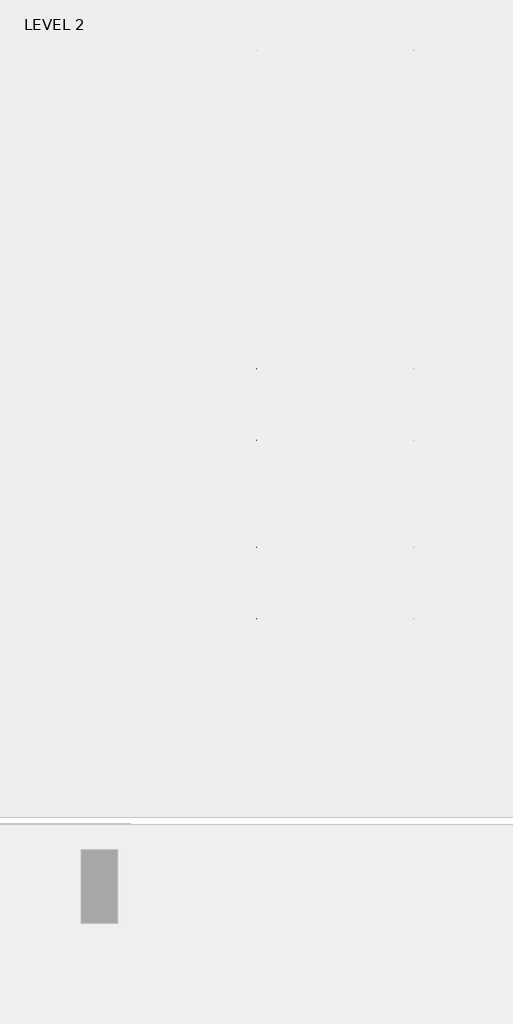
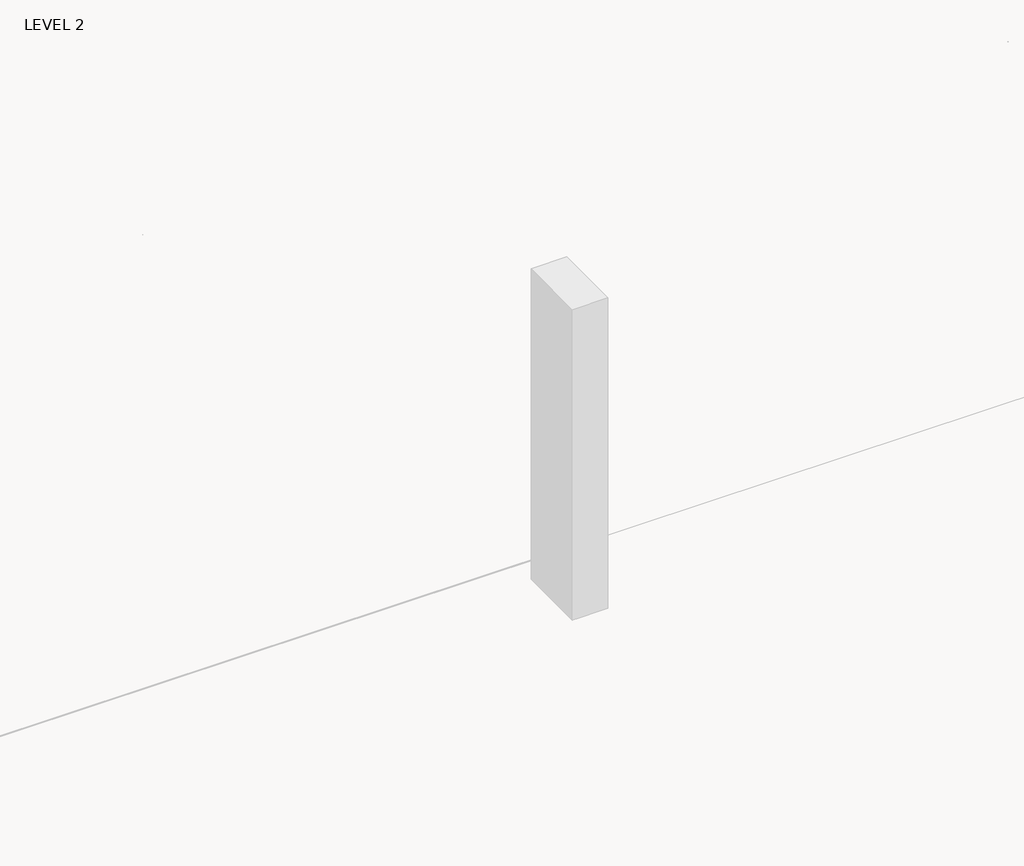
# One storey, part 23 of 67: 1 beam.
"""IFC4 building model written with IfcOpenShell, lengths in millimetres."""

from ifc_helpers import new_model, si_unit, frame, origin, place, context, project, spatial, polyline, outline, extrude, faceted_brep, element, save

model = new_model("IFC4")

# Units and contexts
model_context = context("Model", 3, world=origin())
ifc_project = project(units=[si_unit("LENGTHUNIT", "METRE", prefix="MILLI")], contexts=[model_context])

# Site, building, storey
site = spatial("IfcSite", under=ifc_project)
building = spatial("IfcBuilding", under=site)
storey = spatial("IfcBuildingStorey", under=building, Name="LEVEL 2", Elevation=6908.8)

# Beam
placement = place(None, origin())
element("IfcBeam", 1, ObjectType="K-Series Bar Joist-Angle Web : 12K3", at=placement, inside=storey, context=model_context, shape_type="SolidModel", body=[
    extrude(outline(polyline([(0.0, -9.525), (0.0, 0.0), (573.7533355, 0.0), (573.7533355, -9.525), (0.0, -9.525)])), frame((26253.0014942, -9604.1227945, 6274.1671734), z_axis=(0.0, -0.48308851527800273, 0.8755715198694479), x_axis=(0.0, -0.8755715198694479, -0.48308851527800273)), (0.0, 0.0, 1.0), 9.525),
    extrude(outline(polyline([(0.0, -9.525), (0.0, 0.0), (573.7533355, 0.0), (573.7533355, -9.525), (0.0, -9.525)])), frame((26243.4764942, -14433.5123055, 6174.0312759), z_axis=(0.0, 0.44637950228858414, 0.894843751688861), x_axis=(0.0, 0.894843751688861, -0.44637950228858414)), (0.0, 0.0, 1.0), 9.525),
    extrude(outline(polyline([(4.7625, 4.7625), (4.7625, -4.7625), (-4.7625, -4.7625), (-4.7625, 4.7625), (4.7625, 4.7625)])), frame((26248.2389942, -10108.7855836, 6001.1634358), z_axis=(0.0, 0.5271021201119526, 0.8498019504410923), x_axis=(-1.0, 0.0, 0.0)), (0.0, 0.0, 1.0), 317.9950191),
    extrude(outline(polyline([(4.7625, 4.7625), (4.7625, -4.7625001), (-4.7625, -4.7625001), (-4.7625, 4.7625), (4.7625, 4.7625)])), frame((26248.2389942, -13917.9668359, 5922.1812409), z_axis=(0.0, -0.5618747002661082, 0.8272223529383567), x_axis=(-1.0, 0.0, 0.0)), (0.0, 0.0, 1.0), 317.9950191),
    extrude(outline(polyline([(0.0, 0.0), (31.75, 0.0), (31.75, -6.35), (6.35, -6.35), (6.35, -31.75), (0.0, -31.75), (0.0, 0.0)])), frame((26253.0014942, -14019.4133656, 5913.7264136), z_axis=(0.0, 0.9997851055909517, 0.020730234887470715), x_axis=(1.0, 0.0, 0.0)), (0.0, 0.0, 1.0), 4013.2),
    extrude(outline(polyline([(-9.525, 0.0), (-9.525, -31.75), (-15.875, -31.75), (-15.875, -6.35), (-41.275, -6.35), (-41.275, 0.0), (-9.525, 0.0)])), frame((26253.0014942, -14019.4133656, 5913.7264136), z_axis=(0.0, 0.9997851055909517, 0.020730234887470715), x_axis=(1.0, 0.0, 0.0)), (0.0, 0.0, 1.0), 4013.2),
    extrude(outline(polyline([(-31.75, 0.0), (0.0, 0.0), (0.0, -6.35), (-25.4, -6.35), (-25.4, -31.75), (-31.75, -31.75), (-31.75, 0.0)])), frame((26284.7514942, -14532.3064049, 6144.4436003), z_axis=(0.0, 0.9997851055909517, 0.020730234887470715), x_axis=(1.0, 0.0, 0.0)), (0.0, 0.0, 1.0), 101.6),
    extrude(outline(polyline([(-41.275, 0.0), (-41.275, -31.75), (-47.625, -31.75), (-47.625, -6.35), (-73.025, -6.35), (-73.025, 0.0), (-41.275, 0.0)])), frame((26284.7514942, -14532.3064049, 6144.4436003), z_axis=(0.0, 0.9997851055909517, 0.020730234887470715), x_axis=(1.0, 0.0, 0.0)), (0.0, 0.0, 1.0), 101.6),
    extrude(outline(polyline([(0.0, 0.0), (31.75, 0.0), (31.75, -6.35), (6.35, -6.35), (6.35, -31.75), (0.0, -31.75), (0.0, 0.0)])), frame((26243.4764942, -9605.7653186, 6246.5939057), z_axis=(0.0, 0.9997851055909517, 0.020730234887470715), x_axis=(0.0, -0.020730234887470715, 0.9997851055909517)), (0.0, 0.0, 1.0), 101.6),
    extrude(outline(polyline([(0.0, 41.275), (6.35, 41.275), (6.35, 15.875), (31.75, 15.875), (31.75, 9.525), (0.0, 9.525), (0.0, 41.275)])), frame((26243.4764942, -9605.7653186, 6246.5939057), z_axis=(0.0, 0.9997851055909517, 0.020730234887470715), x_axis=(0.0, -0.020730234887470715, 0.9997851055909517)), (0.0, 0.0, 1.0), 101.6),
    extrude(outline(polyline([(0.0, 0.0), (31.75, 0.0), (31.75, -6.35), (6.35, -6.35), (6.35, -31.75), (0.0, -31.75), (0.0, 0.0)])), frame((26253.0014942, -14533.6227748, 6207.9299545), z_axis=(0.0, 0.9997851055909517, 0.020730234887470715), x_axis=(0.0, 0.020730234887470715, -0.9997851055909517)), (0.0, 0.0, 1.0), 5029.2),
    extrude(outline(polyline([(0.0, 9.525), (0.0, 41.275), (6.35, 41.275), (6.35, 15.875), (31.75, 15.875), (31.75, 9.525), (0.0, 9.525)])), frame((26253.0014942, -14533.6227748, 6207.9299545), z_axis=(0.0, 0.9997851055909517, 0.020730234887470715), x_axis=(0.0, 0.020730234887470715, -0.9997851055909517)), (0.0, 0.0, 1.0), 5029.2),
    faceted_brep([(26248.2389942, -10109.114676, 6017.0350244), (26248.2389942, -10108.7197651, 5997.9891181), (26243.4764942, -10108.7197651, 5997.9891181), (26243.4764942, -10109.114676, 6017.0350244), (26248.2389942, -10109.9510625, 6017.0176822), (26248.2389942, -10276.1904217, 6293.0308149), (26248.2389942, -10294.3999415, 6292.6532461), (26248.2389942, -10294.0050305, 6273.6073399), (26248.2389942, -10286.8200086, 6273.7563191), (26248.2389942, -10120.5806494, 5997.7431863), (26243.4764942, -10120.5806494, 5997.7431863), (26243.4764942, -10141.3605693, 6032.2448279), (26243.4764942, -10137.2808829, 6034.7019736), (26243.4764942, -10273.294904, 6260.5309003), (26243.4764942, -10277.3745905, 6258.0737547), (26243.4764942, -10286.8200086, 6273.7563191), (26243.4764942, -10294.0050305, 6273.6073399), (26243.4764942, -10294.3999415, 6292.6532461), (26243.4764942, -10276.1904217, 6293.0308149), (26243.4764942, -10109.9510625, 6017.0176822), (26230.7764942, -10277.3745905, 6258.0737547), (26230.7764942, -10141.3605693, 6032.2448279), (26230.7764942, -10137.2808829, 6034.7019736), (26230.7764942, -10273.294904, 6260.5309003)], [[[0, 1, 2, 3]], [[1, 0, 4, 5, 6, 7, 8, 9]], [[2, 1, 9, 10]], [[3, 2, 10, 11, 12, 13, 14, 15, 16, 17, 18, 19]], [[0, 3, 19, 4]], [[9, 8, 15, 14, 20, 21, 11, 10]], [[5, 4, 19, 18]], [[7, 6, 17, 16]], [[8, 7, 16, 15]], [[6, 5, 18, 17]], [[21, 22, 12, 11]], [[20, 14, 13, 23]], [[22, 21, 20, 23]], [[12, 22, 23, 13]]]),
    extrude(outline(polyline([(-10455.0089698, 5990.8089186), (-10455.4038808, 6009.8548248), (-10454.5674943, 6009.872167), (-10299.9121904, 6292.5389513), (-10281.7026706, 6292.9165201), (-10281.3077596, 6273.8706138), (-10288.4927815, 6273.7216346), (-10443.1480854, 5991.0548503), (-10455.0089698, 5990.8089186)])), frame((26248.2389942, 0.0, 0.0), z_axis=(1.0, 0.0, 0.0), x_axis=(0.0, 1.0, 0.0)), (0.0, 0.0, 1.0), 4.7625),
    extrude(outline(polyline([(-4.7625, 4.7625), (-4.7625, 0.0), (-17.4625, 0.0), (-17.4625, 4.7625), (-4.7625, 4.7625)])), frame((26248.2389942, -10423.8161725, 6026.3881984), z_axis=(0.0, 0.4799841217599757, 0.8772771756168657), x_axis=(-1.0, 0.0, 0.0)), (0.0, 0.0, 1.0), 263.6257159),
    faceted_brep([(26248.2389942, -13572.0067236, 5945.233029), (26248.2389942, -13571.6118126, 5926.1871227), (26243.4764942, -13571.6118126, 5926.1871227), (26243.4764942, -13572.0067236, 5945.233029), (26248.2389942, -13572.8431101, 5945.2156868), (26248.2389942, -13739.0824692, 6221.2288195), (26248.2389942, -13757.291989, 6220.8512507), (26248.2389942, -13756.897078, 6201.8053445), (26248.2389942, -13749.7120561, 6201.9543237), (26248.2389942, -13583.472697, 5925.941191), (26243.4764942, -13583.472697, 5925.941191), (26243.4764942, -13604.2526169, 5960.4428325), (26243.4764942, -13600.1729304, 5962.8999782), (26243.4764942, -13736.1869515, 6188.7289049), (26243.4764942, -13740.266638, 6186.2717593), (26243.4764942, -13749.7120561, 6201.9543237), (26243.4764942, -13756.897078, 6201.8053445), (26243.4764942, -13757.291989, 6220.8512507), (26243.4764942, -13739.0824692, 6221.2288195), (26243.4764942, -13572.8431101, 5945.2156868), (26230.7764942, -13740.266638, 6186.2717593), (26230.7764942, -13604.2526169, 5960.4428325), (26230.7764942, -13600.1729304, 5962.8999782), (26230.7764942, -13736.1869515, 6188.7289049)], [[[0, 1, 2, 3]], [[1, 0, 4, 5, 6, 7, 8, 9]], [[2, 1, 9, 10]], [[3, 2, 10, 11, 12, 13, 14, 15, 16, 17, 18, 19]], [[0, 3, 19, 4]], [[9, 8, 15, 14, 20, 21, 11, 10]], [[5, 4, 19, 18]], [[7, 6, 17, 16]], [[8, 7, 16, 15]], [[6, 5, 18, 17]], [[21, 22, 12, 11]], [[20, 14, 13, 23]], [[22, 21, 20, 23]], [[12, 22, 23, 13]]]),
    extrude(outline(polyline([(-13917.9010174, 5919.0069232), (-13918.2959283, 5938.0528295), (-13917.4595419, 5938.0701717), (-13762.804238, 6220.736956), (-13744.5947182, 6221.1145247), (-13744.1998072, 6202.0686185), (-13751.3848291, 6201.9196392), (-13906.040133, 5919.252855), (-13917.9010174, 5919.0069232)])), frame((26248.2389942, 0.0, 0.0), z_axis=(1.0, 0.0, 0.0), x_axis=(0.0, 1.0, 0.0)), (0.0, 0.0, 1.0), 4.7625),
    extrude(outline(polyline([(-4.7625, 4.7625001), (-4.7625, 0.0), (-17.4625, 0.0), (-17.4625, 4.7625001), (-4.7625, 4.7625001)])), frame((26248.2389942, -13886.70822, 5954.586203), z_axis=(0.0, 0.4799841217599757, 0.8772771756168657), x_axis=(-1.0, 0.0, 0.0)), (0.0, 0.0, 1.0), 263.6257159),
    faceted_brep([(26248.2389942, -10455.4038808, 6009.8548248), (26248.2389942, -10455.0089698, 5990.8089186), (26243.4764942, -10455.0089698, 5990.8089186), (26243.4764942, -10455.4038808, 6009.8548248), (26248.2389942, -10456.2402673, 6009.8374826), (26248.2389942, -10622.4796264, 6285.8506153), (26248.2389942, -10640.6891462, 6285.4730466), (26248.2389942, -10640.2942352, 6266.4271403), (26248.2389942, -10633.1092134, 6266.5761195), (26248.2389942, -10466.8698542, 5990.5629868), (26243.4764942, -10466.8698542, 5990.5629868), (26243.4764942, -10487.6497741, 6025.0646284), (26243.4764942, -10483.5700876, 6027.521774), (26243.4764942, -10619.5841088, 6253.3507008), (26243.4764942, -10623.6637952, 6250.8935552), (26243.4764942, -10633.1092134, 6266.5761195), (26243.4764942, -10640.2942352, 6266.4271403), (26243.4764942, -10640.6891462, 6285.4730466), (26243.4764942, -10622.4796264, 6285.8506153), (26243.4764942, -10456.2402673, 6009.8374826), (26230.7764942, -10623.6637952, 6250.8935552), (26230.7764942, -10487.6497741, 6025.0646284), (26230.7764942, -10483.5700876, 6027.521774), (26230.7764942, -10619.5841088, 6253.3507008)], [[[0, 1, 2, 3]], [[1, 0, 4, 5, 6, 7, 8, 9]], [[2, 1, 9, 10]], [[3, 2, 10, 11, 12, 13, 14, 15, 16, 17, 18, 19]], [[0, 3, 19, 4]], [[9, 8, 15, 14, 20, 21, 11, 10]], [[5, 4, 19, 18]], [[7, 6, 17, 16]], [[8, 7, 16, 15]], [[6, 5, 18, 17]], [[21, 22, 12, 11]], [[20, 14, 13, 23]], [[22, 21, 20, 23]], [[12, 22, 23, 13]]]),
    extrude(outline(polyline([(-10801.2981746, 5983.628719), (-10801.6930855, 6002.6746253), (-10800.8566991, 6002.6919675), (-10646.2013952, 6285.3587518), (-10627.9918754, 6285.7363206), (-10627.5969644, 6266.6904143), (-10634.7819863, 6266.5414351), (-10789.4372902, 5983.8746508), (-10801.2981746, 5983.628719)])), frame((26248.2389942, 0.0, 0.0), z_axis=(1.0, 0.0, 0.0), x_axis=(0.0, 1.0, 0.0)), (0.0, 0.0, 1.0), 4.7625),
    extrude(outline(polyline([(-4.7625, 4.7625001), (-4.7625, 0.0), (-17.4625, 0.0), (-17.4625, 4.7625001), (-4.7625, 4.7625001)])), frame((26248.2389942, -10770.1053772, 6019.2079988), z_axis=(0.0, 0.4799841217599757, 0.8772771756168657), x_axis=(-1.0, 0.0, 0.0)), (0.0, 0.0, 1.0), 263.6257159),
    faceted_brep([(26248.2389942, -10801.6930855, 6002.6746253), (26248.2389942, -10801.2981746, 5983.628719), (26243.4764942, -10801.2981746, 5983.628719), (26243.4764942, -10801.6930855, 6002.6746253), (26248.2389942, -10802.529472, 6002.6572831), (26248.2389942, -10968.7688312, 6278.6704158), (26248.2389942, -10986.978351, 6278.292847), (26248.2389942, -10986.58344, 6259.2469408), (26248.2389942, -10979.3984181, 6259.39592), (26248.2389942, -10813.1590589, 5983.3827873), (26243.4764942, -10813.1590589, 5983.3827873), (26243.4764942, -10833.9389788, 6017.8844289), (26243.4764942, -10829.8592924, 6020.3415745), (26243.4764942, -10965.8733135, 6246.1705013), (26243.4764942, -10969.953, 6243.7133556), (26243.4764942, -10979.3984181, 6259.39592), (26243.4764942, -10986.58344, 6259.2469408), (26243.4764942, -10986.978351, 6278.292847), (26243.4764942, -10968.7688312, 6278.6704158), (26243.4764942, -10802.529472, 6002.6572831), (26230.7764942, -10969.953, 6243.7133556), (26230.7764942, -10833.9389788, 6017.8844289), (26230.7764942, -10829.8592924, 6020.3415745), (26230.7764942, -10965.8733135, 6246.1705013)], [[[0, 1, 2, 3]], [[1, 0, 4, 5, 6, 7, 8, 9]], [[2, 1, 9, 10]], [[3, 2, 10, 11, 12, 13, 14, 15, 16, 17, 18, 19]], [[0, 3, 19, 4]], [[9, 8, 15, 14, 20, 21, 11, 10]], [[5, 4, 19, 18]], [[7, 6, 17, 16]], [[8, 7, 16, 15]], [[6, 5, 18, 17]], [[21, 22, 12, 11]], [[20, 14, 13, 23]], [[22, 21, 20, 23]], [[12, 22, 23, 13]]]),
    extrude(outline(polyline([(-11147.5873793, 5976.4485195), (-11147.9822903, 5995.4944258), (-11147.1459038, 5995.511768), (-10992.4905999, 6278.1785523), (-10974.2810801, 6278.556121), (-10973.8861692, 6259.5102148), (-10981.071191, 6259.3612356), (-11135.726495, 5976.6944513), (-11147.5873793, 5976.4485195)])), frame((26248.2389942, 0.0, 0.0), z_axis=(1.0, 0.0, 0.0), x_axis=(0.0, 1.0, 0.0)), (0.0, 0.0, 1.0), 4.7625),
    extrude(outline(polyline([(-4.7625, 4.7625), (-4.7625, 0.0), (-17.4625, 0.0), (-17.4625, 4.7625), (-4.7625, 4.7625)])), frame((26248.2389942, -11116.394582, 6012.0277993), z_axis=(0.0, 0.4799841217599757, 0.8772771756168657), x_axis=(-1.0, 0.0, 0.0)), (0.0, 0.0, 1.0), 263.6257159),
    faceted_brep([(26248.2389942, -11147.9822903, 5995.4944258), (26248.2389942, -11147.5873793, 5976.4485195), (26243.4764942, -11147.5873793, 5976.4485195), (26243.4764942, -11147.9822903, 5995.4944258), (26248.2389942, -11148.8186768, 5995.4770835), (26248.2389942, -11315.0580359, 6271.4902163), (26248.2389942, -11333.2675557, 6271.1126475), (26248.2389942, -11332.8726447, 6252.0667412), (26248.2389942, -11325.6876229, 6252.2157204), (26248.2389942, -11159.4482637, 5976.2025877), (26243.4764942, -11159.4482637, 5976.2025877), (26243.4764942, -11180.2281836, 6010.7042293), (26243.4764942, -11176.1484971, 6013.1613749), (26243.4764942, -11312.1625183, 6238.9903017), (26243.4764942, -11316.2422047, 6236.5331561), (26243.4764942, -11325.6876229, 6252.2157204), (26243.4764942, -11332.8726447, 6252.0667412), (26243.4764942, -11333.2675557, 6271.1126475), (26243.4764942, -11315.0580359, 6271.4902163), (26243.4764942, -11148.8186768, 5995.4770835), (26230.7764942, -11316.2422047, 6236.5331561), (26230.7764942, -11180.2281836, 6010.7042293), (26230.7764942, -11176.1484971, 6013.1613749), (26230.7764942, -11312.1625183, 6238.9903017)], [[[0, 1, 2, 3]], [[1, 0, 4, 5, 6, 7, 8, 9]], [[2, 1, 9, 10]], [[3, 2, 10, 11, 12, 13, 14, 15, 16, 17, 18, 19]], [[0, 3, 19, 4]], [[9, 8, 15, 14, 20, 21, 11, 10]], [[5, 4, 19, 18]], [[7, 6, 17, 16]], [[8, 7, 16, 15]], [[6, 5, 18, 17]], [[21, 22, 12, 11]], [[20, 14, 13, 23]], [[22, 21, 20, 23]], [[12, 22, 23, 13]]]),
    extrude(outline(polyline([(-11493.8765841, 5969.26832), (-11494.2714951, 5988.3142262), (-11493.4351086, 5988.3315684), (-11338.7798047, 6270.9983527), (-11320.5702849, 6271.3759215), (-11320.1753739, 6252.3300152), (-11327.3603958, 6252.181036), (-11482.0156997, 5969.5142517), (-11493.8765841, 5969.26832)])), frame((26248.2389942, 0.0, 0.0), z_axis=(1.0, 0.0, 0.0), x_axis=(0.0, 1.0, 0.0)), (0.0, 0.0, 1.0), 4.7625),
    extrude(outline(polyline([(-4.7625, 4.7625), (-4.7625, 0.0), (-17.4625, 0.0), (-17.4625, 4.7625), (-4.7625, 4.7625)])), frame((26248.2389942, -11462.6837867, 6004.8475998), z_axis=(0.0, 0.4799841217599757, 0.8772771756168657), x_axis=(-1.0, 0.0, 0.0)), (0.0, 0.0, 1.0), 263.6257159),
    faceted_brep([(26248.2389942, -11494.2714951, 5988.3142262), (26248.2389942, -11493.8765841, 5969.26832), (26243.4764942, -11493.8765841, 5969.26832), (26243.4764942, -11494.2714951, 5988.3142262), (26248.2389942, -11495.1078815, 5988.296884), (26248.2389942, -11661.3472407, 6264.3100167), (26248.2389942, -11679.5567605, 6263.932448), (26248.2389942, -11679.1618495, 6244.8865417), (26248.2389942, -11671.9768276, 6245.0355209), (26248.2389942, -11505.7374685, 5969.0223882), (26243.4764942, -11505.7374685, 5969.0223882), (26243.4764942, -11526.5173883, 6003.5240298), (26243.4764942, -11522.4377019, 6005.9811754), (26243.4764942, -11658.451723, 6231.8101022), (26243.4764942, -11662.5314095, 6229.3529565), (26243.4764942, -11671.9768276, 6245.0355209), (26243.4764942, -11679.1618495, 6244.8865417), (26243.4764942, -11679.5567605, 6263.932448), (26243.4764942, -11661.3472407, 6264.3100167), (26243.4764942, -11495.1078815, 5988.296884), (26230.7764942, -11662.5314095, 6229.3529565), (26230.7764942, -11526.5173883, 6003.5240298), (26230.7764942, -11522.4377019, 6005.9811754), (26230.7764942, -11658.451723, 6231.8101022)], [[[0, 1, 2, 3]], [[1, 0, 4, 5, 6, 7, 8, 9]], [[2, 1, 9, 10]], [[3, 2, 10, 11, 12, 13, 14, 15, 16, 17, 18, 19]], [[0, 3, 19, 4]], [[9, 8, 15, 14, 20, 21, 11, 10]], [[5, 4, 19, 18]], [[7, 6, 17, 16]], [[8, 7, 16, 15]], [[6, 5, 18, 17]], [[21, 22, 12, 11]], [[20, 14, 13, 23]], [[22, 21, 20, 23]], [[12, 22, 23, 13]]]),
    extrude(outline(polyline([(-11840.1657888, 5962.0881204), (-11840.5606998, 5981.1340267), (-11839.7243133, 5981.1513689), (-11685.0690094, 6263.8181532), (-11666.8594896, 6264.1957219), (-11666.4645787, 6245.1498157), (-11673.6496006, 6245.0008365), (-11828.3049045, 5962.3340522), (-11840.1657888, 5962.0881204)])), frame((26248.2389942, 0.0, 0.0), z_axis=(1.0, 0.0, 0.0), x_axis=(0.0, 1.0, 0.0)), (0.0, 0.0, 1.0), 4.7625),
    extrude(outline(polyline([(-4.7625, 4.7625), (-4.7625, 0.0), (-17.4625, 0.0), (-17.4625, 4.7625), (-4.7625, 4.7625)])), frame((26248.2389942, -11808.9729915, 5997.6674002), z_axis=(0.0, 0.4799841217599757, 0.8772771756168657), x_axis=(-1.0, 0.0, 0.0)), (0.0, 0.0, 1.0), 263.6257159),
    faceted_brep([(26248.2389942, -11840.5606998, 5981.1340267), (26248.2389942, -11840.1657888, 5962.0881204), (26243.4764942, -11840.1657888, 5962.0881204), (26243.4764942, -11840.5606998, 5981.1340267), (26248.2389942, -11841.3970863, 5981.1166845), (26248.2389942, -12007.6364454, 6257.1298172), (26248.2389942, -12025.8459652, 6256.7522484), (26248.2389942, -12025.4510543, 6237.7063422), (26248.2389942, -12018.2660324, 6237.8553214), (26248.2389942, -11852.0266732, 5961.8421887), (26243.4764942, -11852.0266732, 5961.8421887), (26243.4764942, -11872.8065931, 5996.3438302), (26243.4764942, -11868.7269066, 5998.8009759), (26243.4764942, -12004.7409278, 6224.6299026), (26243.4764942, -12008.8206142, 6222.172757), (26243.4764942, -12018.2660324, 6237.8553214), (26243.4764942, -12025.4510543, 6237.7063422), (26243.4764942, -12025.8459652, 6256.7522484), (26243.4764942, -12007.6364454, 6257.1298172), (26243.4764942, -11841.3970863, 5981.1166845), (26230.7764942, -12008.8206142, 6222.172757), (26230.7764942, -11872.8065931, 5996.3438302), (26230.7764942, -11868.7269066, 5998.8009759), (26230.7764942, -12004.7409278, 6224.6299026)], [[[0, 1, 2, 3]], [[1, 0, 4, 5, 6, 7, 8, 9]], [[2, 1, 9, 10]], [[3, 2, 10, 11, 12, 13, 14, 15, 16, 17, 18, 19]], [[0, 3, 19, 4]], [[9, 8, 15, 14, 20, 21, 11, 10]], [[5, 4, 19, 18]], [[7, 6, 17, 16]], [[8, 7, 16, 15]], [[6, 5, 18, 17]], [[21, 22, 12, 11]], [[20, 14, 13, 23]], [[22, 21, 20, 23]], [[12, 22, 23, 13]]]),
    extrude(outline(polyline([(-12186.4549936, 5954.9079209), (-12186.8499046, 5973.9538271), (-12186.0135181, 5973.9711694), (-12031.3582142, 6256.6379536), (-12013.1486944, 6257.0155224), (-12012.7537834, 6237.9696161), (-12019.9388053, 6237.8206369), (-12174.5941092, 5955.1538527), (-12186.4549936, 5954.9079209)])), frame((26248.2389942, 0.0, 0.0), z_axis=(1.0, 0.0, 0.0), x_axis=(0.0, 1.0, 0.0)), (0.0, 0.0, 1.0), 4.7625),
    extrude(outline(polyline([(-4.7625, 4.7625001), (-4.7625, 0.0), (-17.4625, 0.0), (-17.4625, 4.7625001), (-4.7625, 4.7625001)])), frame((26248.2389942, -12155.2621962, 5990.4872007), z_axis=(0.0, 0.4799841217599757, 0.8772771756168657), x_axis=(-1.0, 0.0, 0.0)), (0.0, 0.0, 1.0), 263.6257159),
    faceted_brep([(26248.2389942, -12186.8499046, 5973.9538271), (26248.2389942, -12186.4549936, 5954.9079209), (26243.4764942, -12186.4549936, 5954.9079209), (26243.4764942, -12186.8499046, 5973.9538271), (26248.2389942, -12187.686291, 5973.9364849), (26248.2389942, -12353.9256502, 6249.9496176), (26248.2389942, -12372.13517, 6249.5720489), (26248.2389942, -12371.740259, 6230.5261426), (26248.2389942, -12364.5552371, 6230.6751218), (26248.2389942, -12198.315878, 5954.6619891), (26243.4764942, -12198.315878, 5954.6619891), (26243.4764942, -12219.0957979, 5989.1636307), (26243.4764942, -12215.0161114, 5991.6207763), (26243.4764942, -12351.0301325, 6217.4497031), (26243.4764942, -12355.109819, 6214.9925575), (26243.4764942, -12364.5552371, 6230.6751218), (26243.4764942, -12371.740259, 6230.5261426), (26243.4764942, -12372.13517, 6249.5720489), (26243.4764942, -12353.9256502, 6249.9496176), (26243.4764942, -12187.686291, 5973.9364849), (26230.7764942, -12355.109819, 6214.9925575), (26230.7764942, -12219.0957979, 5989.1636307), (26230.7764942, -12215.0161114, 5991.6207763), (26230.7764942, -12351.0301325, 6217.4497031)], [[[0, 1, 2, 3]], [[1, 0, 4, 5, 6, 7, 8, 9]], [[2, 1, 9, 10]], [[3, 2, 10, 11, 12, 13, 14, 15, 16, 17, 18, 19]], [[0, 3, 19, 4]], [[9, 8, 15, 14, 20, 21, 11, 10]], [[5, 4, 19, 18]], [[7, 6, 17, 16]], [[8, 7, 16, 15]], [[6, 5, 18, 17]], [[21, 22, 12, 11]], [[20, 14, 13, 23]], [[22, 21, 20, 23]], [[12, 22, 23, 13]]]),
    extrude(outline(polyline([(-12532.7441983, 5947.7277213), (-12533.1391093, 5966.7736276), (-12532.3027228, 5966.7909698), (-12377.6474189, 6249.4577541), (-12359.4378991, 6249.8353229), (-12359.0429882, 6230.7894166), (-12366.2280101, 6230.6404374), (-12520.883314, 5947.9736531), (-12532.7441983, 5947.7277213)])), frame((26248.2389942, 0.0, 0.0), z_axis=(1.0, 0.0, 0.0), x_axis=(0.0, 1.0, 0.0)), (0.0, 0.0, 1.0), 4.7625),
    extrude(outline(polyline([(-4.7625, 4.7625), (-4.7625, 0.0), (-17.4625, 0.0), (-17.4625, 4.7625), (-4.7625, 4.7625)])), frame((26248.2389942, -12501.551401, 5983.3070011), z_axis=(0.0, 0.4799841217599757, 0.8772771756168657), x_axis=(-1.0, 0.0, 0.0)), (0.0, 0.0, 1.0), 263.6257159),
    faceted_brep([(26248.2389942, -12533.1391093, 5966.7736276), (26248.2389942, -12532.7441983, 5947.7277213), (26243.4764942, -12532.7441983, 5947.7277213), (26243.4764942, -12533.1391093, 5966.7736276), (26248.2389942, -12533.9754958, 5966.7562854), (26248.2389942, -12700.214855, 6242.7694181), (26248.2389942, -12718.4243747, 6242.3918493), (26248.2389942, -12718.0294638, 6223.3459431), (26248.2389942, -12710.8444419, 6223.4949223), (26248.2389942, -12544.6050827, 5947.4817896), (26243.4764942, -12544.6050827, 5947.4817896), (26243.4764942, -12565.3850026, 5981.9834312), (26243.4764942, -12561.3053162, 5984.4405768), (26243.4764942, -12697.3193373, 6210.2695036), (26243.4764942, -12701.3990237, 6207.8123579), (26243.4764942, -12710.8444419, 6223.4949223), (26243.4764942, -12718.0294638, 6223.3459431), (26243.4764942, -12718.4243747, 6242.3918493), (26243.4764942, -12700.214855, 6242.7694181), (26243.4764942, -12533.9754958, 5966.7562854), (26230.7764942, -12701.3990237, 6207.8123579), (26230.7764942, -12565.3850026, 5981.9834312), (26230.7764942, -12561.3053162, 5984.4405768), (26230.7764942, -12697.3193373, 6210.2695036)], [[[0, 1, 2, 3]], [[1, 0, 4, 5, 6, 7, 8, 9]], [[2, 1, 9, 10]], [[3, 2, 10, 11, 12, 13, 14, 15, 16, 17, 18, 19]], [[0, 3, 19, 4]], [[9, 8, 15, 14, 20, 21, 11, 10]], [[5, 4, 19, 18]], [[7, 6, 17, 16]], [[8, 7, 16, 15]], [[6, 5, 18, 17]], [[21, 22, 12, 11]], [[20, 14, 13, 23]], [[22, 21, 20, 23]], [[12, 22, 23, 13]]]),
    extrude(outline(polyline([(-12879.0334031, 5940.5475218), (-12879.4283141, 5959.5934281), (-12878.5919276, 5959.6107703), (-12723.9366237, 6242.2775546), (-12705.7271039, 6242.6551233), (-12705.3321929, 6223.6092171), (-12712.5172148, 6223.4602379), (-12867.1725187, 5940.7934536), (-12879.0334031, 5940.5475218)])), frame((26248.2389942, 0.0, 0.0), z_axis=(1.0, 0.0, 0.0), x_axis=(0.0, 1.0, 0.0)), (0.0, 0.0, 1.0), 4.7625),
    extrude(outline(polyline([(-4.7625, 4.7625001), (-4.7625, 0.0), (-17.4625, 0.0), (-17.4625, 4.7625001), (-4.7625, 4.7625001)])), frame((26248.2389942, -12847.8406057, 5976.1268016), z_axis=(0.0, 0.4799841217599757, 0.8772771756168657), x_axis=(-1.0, 0.0, 0.0)), (0.0, 0.0, 1.0), 263.6257159),
    faceted_brep([(26248.2389942, -12879.4283141, 5959.5934281), (26248.2389942, -12879.0334031, 5940.5475218), (26243.4764942, -12879.0334031, 5940.5475218), (26243.4764942, -12879.4283141, 5959.5934281), (26248.2389942, -12880.2647005, 5959.5760859), (26248.2389942, -13046.5040597, 6235.5892186), (26248.2389942, -13064.7135795, 6235.2116498), (26248.2389942, -13064.3186685, 6216.1657435), (26248.2389942, -13057.1336466, 6216.3147228), (26248.2389942, -12890.8942875, 5940.30159), (26243.4764942, -12890.8942875, 5940.30159), (26243.4764942, -12911.6742074, 5974.8032316), (26243.4764942, -12907.5945209, 5977.2603773), (26243.4764942, -13043.608542, 6203.089304), (26243.4764942, -13047.6882285, 6200.6321584), (26243.4764942, -13057.1336466, 6216.3147228), (26243.4764942, -13064.3186685, 6216.1657435), (26243.4764942, -13064.7135795, 6235.2116498), (26243.4764942, -13046.5040597, 6235.5892186), (26243.4764942, -12880.2647005, 5959.5760859), (26230.7764942, -13047.6882285, 6200.6321584), (26230.7764942, -12911.6742074, 5974.8032316), (26230.7764942, -12907.5945209, 5977.2603773), (26230.7764942, -13043.608542, 6203.089304)], [[[0, 1, 2, 3]], [[1, 0, 4, 5, 6, 7, 8, 9]], [[2, 1, 9, 10]], [[3, 2, 10, 11, 12, 13, 14, 15, 16, 17, 18, 19]], [[0, 3, 19, 4]], [[9, 8, 15, 14, 20, 21, 11, 10]], [[5, 4, 19, 18]], [[7, 6, 17, 16]], [[8, 7, 16, 15]], [[6, 5, 18, 17]], [[21, 22, 12, 11]], [[20, 14, 13, 23]], [[22, 21, 20, 23]], [[12, 22, 23, 13]]]),
    extrude(outline(polyline([(-13225.3226079, 5933.3673223), (-13225.7175188, 5952.4132285), (-13224.8811324, 5952.4305707), (-13070.2258284, 6235.097355), (-13052.0163087, 6235.4749238), (-13051.6213977, 6216.4290175), (-13058.8064196, 6216.2800383), (-13213.4617235, 5933.613254), (-13225.3226079, 5933.3673223)])), frame((26248.2389942, 0.0, 0.0), z_axis=(1.0, 0.0, 0.0), x_axis=(0.0, 1.0, 0.0)), (0.0, 0.0, 1.0), 4.7625),
    extrude(outline(polyline([(-4.7625, 4.7625), (-4.7625, 0.0), (-17.4625, 0.0), (-17.4625, 4.7625), (-4.7625, 4.7625)])), frame((26248.2389942, -13194.1298105, 5968.9466021), z_axis=(0.0, 0.4799841217599757, 0.8772771756168657), x_axis=(-1.0, 0.0, 0.0)), (0.0, 0.0, 1.0), 263.6257159),
    faceted_brep([(26248.2389942, -13225.7175188, 5952.4132285), (26248.2389942, -13225.3226079, 5933.3673223), (26243.4764942, -13225.3226079, 5933.3673223), (26243.4764942, -13225.7175188, 5952.4132285), (26248.2389942, -13226.5539053, 5952.3958863), (26248.2389942, -13392.7932645, 6228.409019), (26248.2389942, -13411.0027843, 6228.0314503), (26248.2389942, -13410.6078733, 6208.985544), (26248.2389942, -13403.4228514, 6209.1345232), (26248.2389942, -13237.1834922, 5933.1213905), (26243.4764942, -13237.1834922, 5933.1213905), (26243.4764942, -13257.9634121, 5967.6230321), (26243.4764942, -13253.8837257, 5970.0801777), (26243.4764942, -13389.8977468, 6195.9091045), (26243.4764942, -13393.9774333, 6193.4519589), (26243.4764942, -13403.4228514, 6209.1345232), (26243.4764942, -13410.6078733, 6208.985544), (26243.4764942, -13411.0027843, 6228.0314503), (26243.4764942, -13392.7932645, 6228.409019), (26243.4764942, -13226.5539053, 5952.3958863), (26230.7764942, -13393.9774333, 6193.4519589), (26230.7764942, -13257.9634121, 5967.6230321), (26230.7764942, -13253.8837257, 5970.0801777), (26230.7764942, -13389.8977468, 6195.9091045)], [[[0, 1, 2, 3]], [[1, 0, 4, 5, 6, 7, 8, 9]], [[2, 1, 9, 10]], [[3, 2, 10, 11, 12, 13, 14, 15, 16, 17, 18, 19]], [[0, 3, 19, 4]], [[9, 8, 15, 14, 20, 21, 11, 10]], [[5, 4, 19, 18]], [[7, 6, 17, 16]], [[8, 7, 16, 15]], [[6, 5, 18, 17]], [[21, 22, 12, 11]], [[20, 14, 13, 23]], [[22, 21, 20, 23]], [[12, 22, 23, 13]]]),
    extrude(outline(polyline([(-13571.6118126, 5926.1871227), (-13572.0067236, 5945.233029), (-13571.1703371, 5945.2503712), (-13416.5150332, 6227.9171555), (-13398.3055134, 6228.2947243), (-13397.9106024, 6209.248818), (-13405.0956243, 6209.0998388), (-13559.7509282, 5926.4330545), (-13571.6118126, 5926.1871227)])), frame((26248.2389942, 0.0, 0.0), z_axis=(1.0, 0.0, 0.0), x_axis=(0.0, 1.0, 0.0)), (0.0, 0.0, 1.0), 4.7625),
    extrude(outline(polyline([(-4.7625, 4.7625001), (-4.7625, 0.0), (-17.4625, 0.0), (-17.4625, 4.7625001), (-4.7625, 4.7625001)])), frame((26248.2389942, -13540.4190152, 5961.7664025), z_axis=(0.0, 0.4799841217599757, 0.8772771756168657), x_axis=(-1.0, 0.0, 0.0)), (0.0, 0.0, 1.0), 263.6257159),
])

save(model, "model.ifc")
